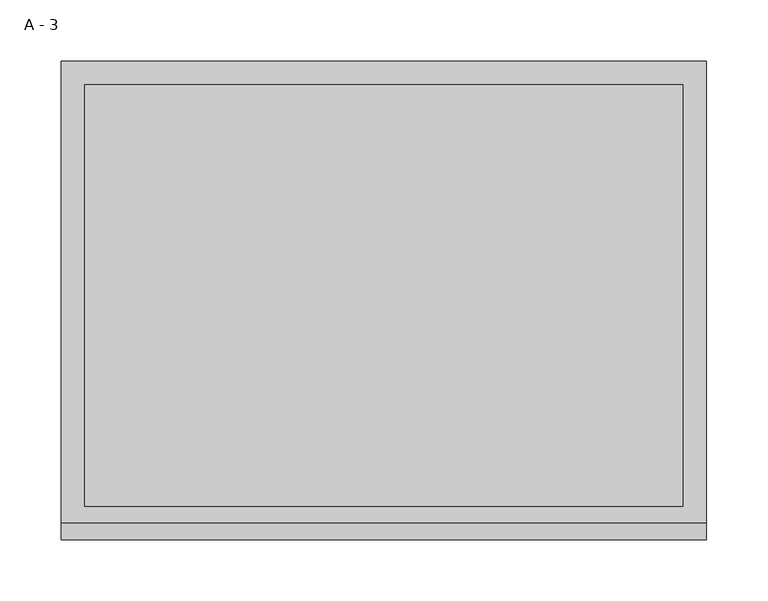
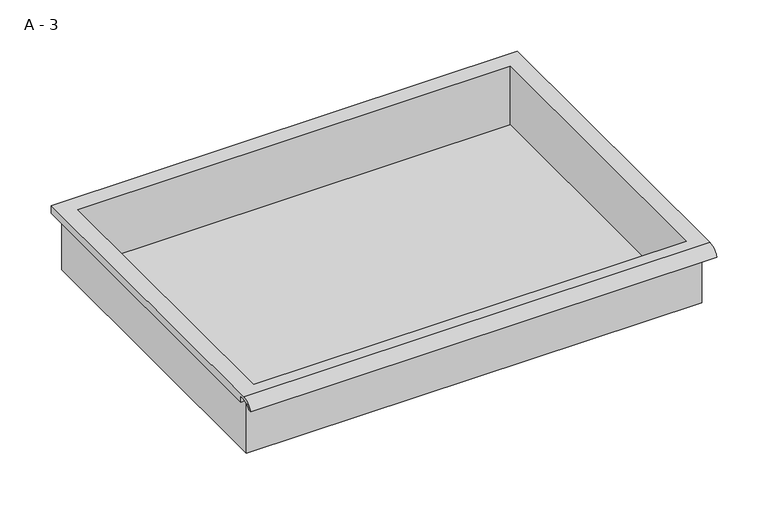
"""IFC4 building model written with IfcOpenShell, lengths in millimetres: furniture geometry, A - 3."""

from ifc_helpers import new_model, si_unit, frame, origin, place, context, project, spatial, polyline, circle_curve, source, transform, mapped, element, save
from ifc_brep_helpers import plane_surface, cylinder_surface, revolved_surface, advanced_brep


def a_3_ac05a3b6(model_context):
    return source(origin(), model_context, "Body", "AdvancedBrep", [
        advanced_brep(
        [(-257.1076517, -176.2125, 638.36804), (257.2423483, -176.2125, 638.36804), (257.2423483, -176.2125, 701.86804), (263.5923483, -176.2125, 701.86804), (263.5923483, -176.2125, 708.1751741), (-263.4576517, -176.2125, 708.1751741), (-263.4576517, -176.2125, 701.86804), (-257.1076517, -176.2125, 701.86804), (257.2423483, 185.7375, 638.36804), (-257.1076517, 185.7375, 638.36804), (-257.1076517, 185.7375, 701.86804), (257.2423483, 185.7375, 701.86804), (263.5923483, -181.6070544, 711.39304), (263.5923483, 195.2625, 711.39304), (-263.4576517, 195.2625, 711.39304), (-263.4576517, -181.6070544, 711.39304), (244.5423483, -168.275, 711.39304), (-244.4076517, -168.275, 711.39304), (-244.4076517, 176.2125, 711.39304), (244.5423483, 176.2125, 711.39304), (263.5923483, -195.2625, 701.86804), (263.5923483, -191.8280601, 701.86804), (263.5923483, -180.4714815, 708.1751741), (263.5923483, 195.2625, 701.86804), (-263.4576517, 195.2625, 701.86804), (-263.4576517, -180.4714815, 708.1751741), (-263.4576517, -191.8280601, 701.86804), (-263.4576517, -195.2625, 701.86804), (-244.4076517, -168.275, 641.3942119), (244.5423483, -168.275, 641.3942119), (244.5423483, 176.2125, 641.3942119), (-244.4076517, 176.2125, 641.3942119)],
        [
            (0, 1),
            (1, 2),
            (2, 3),
            (3, 4),
            (4, 5),
            (5, 6),
            (6, 7),
            (7, 0),
            (8, 9),
            (9, 10),
            (10, 11),
            (11, 8),
            (0, 9),
            (8, 1),
            (11, 2),
            (12, 13),
            (13, 14),
            (14, 15),
            (15, 12),
            (16, 17),
            (17, 18),
            (18, 19),
            (19, 16),
            (7, 10),
            (12, 20, circle_curve(frame((263.5923483, -181.6070544, 696.8420259), z_axis=(1.0, 0.0, 0.0), x_axis=(0.0, 1.0, 0.0)), 14.5510141)),
            (20, 21),
            (21, 22, circle_curve(frame((263.5923483, -181.6070544, 696.8420259), z_axis=(-1.0, 0.0, 0.0), x_axis=(0.0, 1.0, 0.0)), 11.3898979)),
            (22, 4),
            (3, 23),
            (23, 13),
            (14, 24),
            (24, 6),
            (5, 25),
            (25, 26, circle_curve(frame((-263.4576517, -181.6070544, 696.8420259), z_axis=(1.0, 0.0, 0.0), x_axis=(0.0, 1.0, 0.0)), 11.3898979)),
            (26, 27),
            (27, 15, circle_curve(frame((-263.4576517, -181.6070544, 696.8420259), z_axis=(-1.0, 0.0, 0.0), x_axis=(0.0, 1.0, 0.0)), 14.5510141)),
            (27, 20),
            (26, 21),
            (25, 22),
            (24, 23),
            (28, 29),
            (29, 30),
            (30, 31),
            (31, 28),
            (28, 17),
            (16, 29),
            (19, 30),
            (18, 31),
        ],
        [
            plane_surface(frame((257.2423483, -176.2125, 638.36804), z_axis=(0.0, -1.0, 0.0), x_axis=(1.0, 0.0, 0.0))),
            plane_surface(frame((257.2423483, 185.7375, 638.36804), z_axis=(0.0, 1.0, 0.0), x_axis=(-1.0, 0.0, 0.0))),
            plane_surface(frame((-257.1076517, -176.2125, 638.36804), z_axis=(0.0, 0.0, -1.0), x_axis=(0.0, 1.0, 0.0))),
            plane_surface(frame((257.2423483, -176.2125, 638.36804), z_axis=(1.0, 0.0, 0.0), x_axis=(0.0, 1.0, 0.0))),
            plane_surface(frame((257.2423483, -176.2125, 711.39304), z_axis=(0.0, 0.0, 1.0), x_axis=(0.0, 1.0, 0.0))),
            plane_surface(frame((-257.1076517, -176.2125, 711.39304), z_axis=(-1.0, 0.0, 0.0), x_axis=(0.0, 1.0, 0.0))),
            plane_surface(frame((263.5923483, 195.2625, 711.39304), z_axis=(1.0, 0.0, 0.0), x_axis=(0.0, -1.0, 0.0))),
            plane_surface(frame((-263.4576517, 195.2625, 711.39304), z_axis=(-1.0, 0.0, 0.0), x_axis=(0.0, 1.0, 0.0))),
            cylinder_surface(frame((-263.4576517, -181.6070544, 696.8420259), z_axis=(1.0, 0.0, 0.0), x_axis=(0.0, 1.0, 0.0)), 14.5510141),
            plane_surface(frame((263.5923483, -195.2625, 701.86804), z_axis=(0.0, -7.2124091085153275e-12, -1.0), x_axis=(-1.0, 0.0, 0.0))),
            revolved_surface(polyline([(-263.4576517, -170.21715650000002, 696.8420259), (263.59234829999997, -170.21715650000002, 696.8420259)]), (-263.4576517, -181.6070544, 696.8420259), (-1.0, 0.0, 0.0)),
            plane_surface(frame((263.5923483, -180.4714815, 708.1751741), z_axis=(0.0, -1.7924974001773233e-11, -1.0), x_axis=(-1.0, 0.0, 0.0))),
            plane_surface(frame((263.5923483, -176.2125, 701.86804), z_axis=(0.0, 0.0, -1.0), x_axis=(-1.0, 0.0, 0.0))),
            plane_surface(frame((263.5923483, 195.2625, 701.86804), z_axis=(0.0, 1.0, 0.0), x_axis=(-1.0, 0.0, 0.0))),
            plane_surface(frame((244.5423483, -168.275, 641.3942119), z_axis=(0.0, 0.0, 1.0), x_axis=(-1.0, 0.0, 0.0))),
            plane_surface(frame((-244.4076517, -168.275, 711.39304), z_axis=(0.0, 1.0, 0.0), x_axis=(0.0, 0.0, -1.0))),
            plane_surface(frame((244.5423483, -168.275, 711.39304), z_axis=(-1.0, 0.0, 0.0), x_axis=(0.0, 0.0, -1.0))),
            plane_surface(frame((244.5423483, 176.2125, 711.39304), z_axis=(0.0, -1.0, 0.0), x_axis=(0.0, 0.0, -1.0))),
            plane_surface(frame((-244.4076517, 176.2125, 711.39304), z_axis=(1.0, 0.0, 0.0), x_axis=(0.0, 0.0, -1.0))),
        ],
        [
            (0, [[1, 2, 3, 4, 5, 6, 7, 8]]),
            (1, [[9, 10, 11, 12]]),
            (2, [[-1, 13, -9, 14]]),
            (3, [[-14, -12, 15, -2]]),
            (4, [[16, 17, 18, 19], [20, 21, 22, 23]]),
            (5, [[-13, -8, 24, -10]]),
            (6, [[-16, 25, 26, 27, 28, -4, 29, 30]]),
            (7, [[31, 32, -6, 33, 34, 35, 36, -18]]),
            (8, [[-25, -19, -36, 37]]),
            (9, [[-26, -37, -35, 38]]),
            (10, [[-27, -38, -34, 39]]),
            (11, [[-28, -39, -33, -5]]),
            (12, [[-29, -3, -15, -11, -24, -7, -32, 40]]),
            (13, [[-30, -40, -31, -17]]),
            (14, [[41, 42, 43, 44]]),
            (15, [[-41, 45, -20, 46]]),
            (16, [[-42, -46, -23, 47]]),
            (17, [[-43, -47, -22, 48]]),
            (18, [[-44, -48, -21, -45]]),
        ],
    ),
    ])


if __name__ == "__main__":
    model = new_model("IFC4")
    model_context = context("Model", 3, world=origin())
    ifc_project = project(units=[si_unit("LENGTHUNIT", "METRE", prefix="MILLI")], contexts=[model_context])
    site = spatial("IfcSite", under=ifc_project)
    building = spatial("IfcBuilding", under=site)
    placement = place(None, origin())
    a_3_shape = a_3_ac05a3b6(model_context)
    element("IfcFurniture", 1, ObjectType="A - 3", at=placement, inside=building, context=model_context, shape_type="MappedRepresentation", body=[
        mapped(a_3_shape, transform((0.0, 0.0, 0.0), x_axis=(1.0, 0.0, 0.0), y_axis=(0.0, 1.0, 0.0), z_axis=(0.0, 0.0, 1.0))),
    ])
    save(model, "model.ifc")
